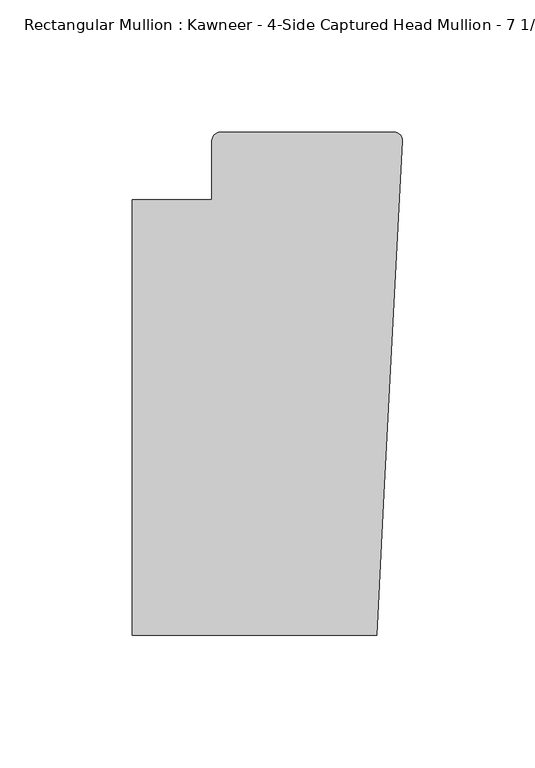
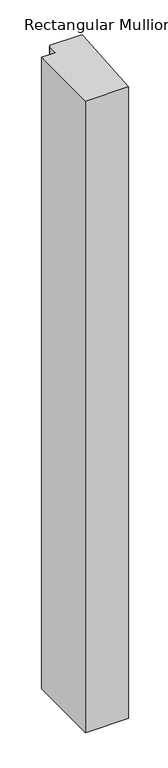
"""IFC4 building model written with IfcOpenShell, lengths in millimetres: member geometry."""

from ifc_helpers import new_model, si_unit, frame, origin, place, context, project, spatial, circle_curve, source, transform, mapped, element, save
from ifc_brep_helpers import plane_surface, cylinder_surface, advanced_brep


def member_afeaf5e1(model_context):
    return source(origin(), model_context, "Body", "AdvancedBrep", [
        advanced_brep(
        [(-9.7860662, -151.892, 0.0), (-6.9873394, -98.4891117, 0.0), (-0.0041105, 34.7588278, 0.0), (-3.175, 38.0999944, 0.0), (-68.798975, 38.0999944, 0.0), (-71.9739395, 34.9099677, 0.0), (-71.9739395, 12.7, 0.0), (-102.08978, 12.7, 0.0), (-102.08978, -151.892, 0.0), (-9.7860662, -151.892, -1440.1582482), (-102.08978, -151.892, -1440.1582482), (-102.08978, 12.7, -1440.1582482), (-71.9739395, 12.7, -1440.1582482), (-71.9739395, 34.9099677, -1440.1582482), (-68.798975, 38.0999944, -1440.1582482), (-3.175, 38.0999944, -1440.1582482), (-0.006635, 34.7198406, -1440.1582482), (-6.9873394, -98.4891117, -1440.1582482)],
        [
            (0, 1),
            (1, 2),
            (2, 3, circle_curve(frame((-3.175, 34.9249944, 0.0), z_axis=(0.0, 0.0, 1.0), x_axis=(0.0, 1.0, 0.0)), 3.175)),
            (3, 4),
            (4, 5, circle_curve(frame((-68.798975, 34.9249944, 0.0), z_axis=(0.0, 0.0, 1.0), x_axis=(-0.9999888001458095, -0.004732819766726053, 0.0)), 3.175)),
            (5, 6),
            (6, 7),
            (7, 8),
            (8, 0),
            (9, 10),
            (10, 11),
            (11, 12),
            (12, 13),
            (13, 14, circle_curve(frame((-68.798975, 34.9249944, -1440.1582482), z_axis=(0.0, 0.0, -1.0), x_axis=(-0.9999888001458095, -0.004732819766726053, 0.0)), 3.175)),
            (14, 15),
            (15, 16, circle_curve(frame((-3.175, 34.9249944, -1440.1582482), z_axis=(0.0, 0.0, -1.0), x_axis=(0.0, 1.0, 0.0)), 3.175)),
            (16, 17),
            (17, 9),
            (0, 9),
            (17, 1),
            (16, 2),
            (15, 3),
            (14, 4),
            (13, 5),
            (12, 6),
            (11, 7),
            (10, 8),
        ],
        [
            plane_surface(frame((0.0, -183.0123025, 0.0), z_axis=(0.0, 0.0, 1.0), x_axis=(-1.0, 0.0, 0.0))),
            plane_surface(frame((0.0, -183.0123025, -1440.1582482), z_axis=(0.0, 0.0, -1.0), x_axis=(-1.0, 0.0, 0.0))),
            plane_surface(frame((-9.7860662, -151.892, 0.0), z_axis=(0.9986295347545738, -0.052335956242944896, 0.0), x_axis=(0.0, 0.0, -1.0))),
            plane_surface(frame((-6.9873394, -98.4891117, 0.0), z_axis=(0.9986295346400468, -0.05233595842825238, 0.0), x_axis=(0.0, 0.0, -1.0))),
            cylinder_surface(frame((-3.175, 34.9249944, 0.0), z_axis=(0.0, 0.0, 1.0), x_axis=(0.0, 1.0, 0.0)), 3.175),
            plane_surface(frame((-3.175, 38.0999944, 0.0), z_axis=(0.0, 1.0, 0.0), x_axis=(0.0, 0.0, -1.0))),
            cylinder_surface(frame((-68.798975, 34.9249944, 0.0), z_axis=(0.0, 0.0, 1.0), x_axis=(-0.9999888001458095, -0.004732819766726053, 0.0)), 3.175),
            plane_surface(frame((-71.9739395, 34.9099677, 0.0), z_axis=(-1.0, 0.0, 0.0), x_axis=(0.0, 0.0, -1.0))),
            plane_surface(frame((-71.9739395, 12.7, 0.0), z_axis=(0.0, 1.0, 0.0), x_axis=(0.0, 0.0, -1.0))),
            plane_surface(frame((-102.08978, 12.7, 0.0), z_axis=(-1.0, 0.0, 0.0), x_axis=(0.0, 0.0, -1.0))),
            plane_surface(frame((-102.08978, -151.892, 0.0), z_axis=(0.0, -1.0, 0.0), x_axis=(0.0, 0.0, -1.0))),
        ],
        [
            (0, [[1, 2, 3, 4, 5, 6, 7, 8, 9]]),
            (1, [[10, 11, 12, 13, 14, 15, 16, 17, 18]]),
            (2, [[-1, 19, -18, 20]]),
            (3, [[-2, -20, -17, 21]]),
            (4, [[-3, -21, -16, 22]]),
            (5, [[-4, -22, -15, 23]]),
            (6, [[-5, -23, -14, 24]]),
            (7, [[-6, -24, -13, 25]]),
            (8, [[-7, -25, -12, 26]]),
            (9, [[-8, -26, -11, 27]]),
            (10, [[-9, -27, -10, -19]]),
        ],
    ),
    ])


if __name__ == "__main__":
    model = new_model("IFC4")
    model_context = context("Model", 3, world=origin())
    ifc_project = project(units=[si_unit("LENGTHUNIT", "METRE", prefix="MILLI")], contexts=[model_context])
    site = spatial("IfcSite", under=ifc_project)
    building = spatial("IfcBuilding", under=site)
    placement = place(None, origin())
    member_shape = member_afeaf5e1(model_context)
    element("IfcMember", 1, ObjectType="Rectangular Mullion : Kawneer - 4-Side Captured Head Mullion - 7 1/2\"", at=placement, inside=building, context=model_context, shape_type="MappedRepresentation", body=[
        mapped(member_shape, transform((0.0, 0.0, 0.0), x_axis=(1.0, 0.0, 0.0), y_axis=(0.0, 1.0, 0.0), z_axis=(0.0, 0.0, 1.0))),
    ])
    save(model, "model.ifc")
